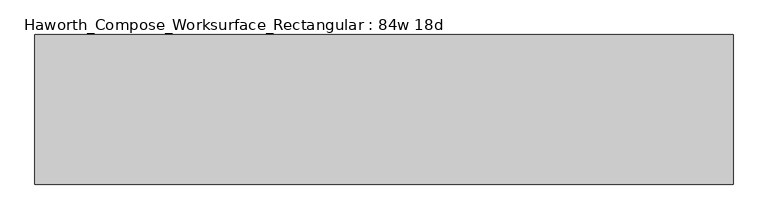
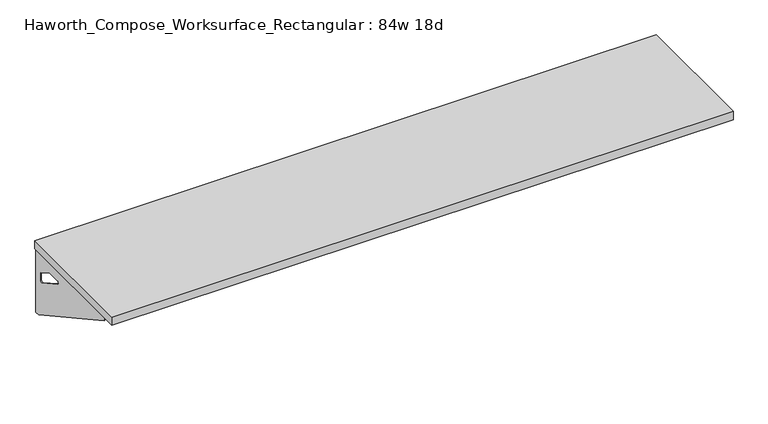
"""IFC4 building model written with IfcOpenShell, lengths in millimetres: furniture geometry, Haworth_Compose_Worksurface_Rectangular : 84w 18d."""

from ifc_helpers import new_model, si_unit, frame, origin, place, context, project, spatial, polyline, circle_curve, outline, extrude, source, transform, mapped, element, save
from ifc_brep_helpers import plane_surface, revolved_surface, advanced_brep


def haworth_compose_worksurface_rectangular_84w_18d_5ff52806(model_context):
    return source(origin(), model_context, "Body", "SolidModel", [
        advanced_brep(
        [(1061.24375, 228.6, 475.45625), (1061.24375, 212.725, 475.45625), (1061.24375, -177.8, 691.7192568), (1061.24375, -177.8, 704.05625), (1061.24375, 212.725, 704.05625), (1061.24375, 228.6, 704.05625), (1061.24375, 145.290072, 665.95625), (1061.24375, 101.6355284, 665.95625), (1061.24375, 98.9564235, 656.3705539), (1061.24375, 190.6776173, 605.5776439), (1061.24375, 200.025, 611.1756969), (1061.24375, 200.025, 634.6860246), (1061.24375, 198.2730055, 637.5242776), (1061.24375, 148.3663437, 665.1613425), (1063.625, 228.6, 475.45625), (1063.625, 228.6, 704.05625), (1063.625, 212.725, 704.05625), (1063.625, 212.725, 706.4375), (1063.625, -177.8, 706.4375), (1063.625, -177.8, 691.7192568), (1063.625, 212.725, 475.45625), (1063.625, 145.290072, 665.95625), (1063.625, 148.3663437, 665.1613425), (1063.625, 198.2730055, 637.5242776), (1063.625, 200.025, 634.6860246), (1063.625, 200.025, 611.1756969), (1063.625, 190.6776173, 605.5776439), (1063.625, 98.9564235, 656.3705539), (1063.625, 101.6355284, 665.95625), (1022.35, -177.8, 706.4375), (1022.35, -177.8, 704.05625), (1022.35, 212.725, 704.05625), (1022.35, 212.725, 706.4375)],
        [
            (0, 1),
            (1, 2),
            (2, 3),
            (3, 4),
            (4, 5),
            (5, 0),
            (6, 7),
            (7, 8, circle_curve(frame((1061.24375, 101.6355284, 660.7890106), z_axis=(1.0, 0.0, 0.0), x_axis=(0.0, -1.0, 0.0)), 5.1672394)),
            (8, 9),
            (9, 10, circle_curve(frame((1061.24375, 193.675, 611.1756969), z_axis=(1.0, 0.0, 0.0), x_axis=(0.0, -1.0, 0.0)), 6.35)),
            (10, 11),
            (11, 12, circle_curve(frame((1061.24375, 196.85, 634.6860246), z_axis=(1.0, 0.0, 0.0), x_axis=(0.0, -1.0, 0.0)), 3.175)),
            (12, 13),
            (13, 6, circle_curve(frame((1061.24375, 145.290072, 659.60625), z_axis=(1.0, 0.0, 0.0), x_axis=(0.0, -1.0, 0.0)), 6.35)),
            (14, 15),
            (15, 16),
            (16, 17),
            (17, 18),
            (18, 19),
            (19, 20),
            (20, 14),
            (21, 22, circle_curve(frame((1063.625, 145.290072, 659.60625), z_axis=(-1.0, 0.0, 0.0), x_axis=(0.0, -1.0, 0.0)), 6.35)),
            (22, 23),
            (23, 24, circle_curve(frame((1063.625, 196.85, 634.6860246), z_axis=(-1.0, 0.0, 0.0), x_axis=(0.0, -1.0, 0.0)), 3.175)),
            (24, 25),
            (25, 26, circle_curve(frame((1063.625, 193.675, 611.1756969), z_axis=(-1.0, 0.0, 0.0), x_axis=(0.0, -1.0, 0.0)), 6.35)),
            (26, 27),
            (27, 28, circle_curve(frame((1063.625, 101.6355284, 660.7890106), z_axis=(-1.0, 0.0, 0.0), x_axis=(0.0, -1.0, 0.0)), 5.1672394)),
            (28, 21),
            (4, 16),
            (15, 5),
            (14, 0),
            (20, 1),
            (19, 2),
            (18, 29),
            (29, 30),
            (30, 3),
            (6, 21),
            (28, 7),
            (9, 26),
            (25, 10),
            (24, 11),
            (23, 12),
            (27, 8),
            (31, 4),
            (30, 31),
            (32, 29),
            (17, 32),
            (31, 32),
            (22, 13),
        ],
        [
            plane_surface(frame((1061.24375, 228.6, 475.45625), z_axis=(-1.0, 0.0, 0.0), x_axis=(0.0, 1.0, 0.0))),
            plane_surface(frame((1063.625, 228.6, 475.45625), z_axis=(1.0, 0.0, 0.0), x_axis=(0.0, -1.0, 0.0))),
            plane_surface(frame((1063.625, -177.8, 704.05625), z_axis=(0.0, 0.0, 1.0), x_axis=(-1.0, 0.0, 0.0))),
            plane_surface(frame((1063.625, 228.6, 704.05625), z_axis=(0.0, 1.0, 0.0), x_axis=(-1.0, 0.0, 0.0))),
            plane_surface(frame((1063.625, 228.6, 475.45625), z_axis=(0.0, 0.0, -1.0), x_axis=(-1.0, 0.0, 0.0))),
            plane_surface(frame((1063.625, 212.725, 475.45625), z_axis=(0.0, -0.48445223513455843, -0.8748177135112952), x_axis=(-1.0, 0.0, 0.0))),
            plane_surface(frame((1063.625, -177.8, 691.7192568), z_axis=(0.0, -1.0, 0.0), x_axis=(-1.0, 0.0, 0.0))),
            plane_surface(frame((1063.625, 145.290072, 665.95625), z_axis=(0.0, 0.0, -1.0), x_axis=(-1.0, 0.0, 0.0))),
            revolved_surface(polyline([(1061.24375, 187.32500000000002, 611.1756969), (1063.625, 187.32500000000002, 611.1756969)]), (1063.625, 193.675, 611.1756969), (-1.0, 0.0, 0.0)),
            plane_surface(frame((1063.625, 200.025, 611.1756969), z_axis=(0.0, -1.0, 0.0), x_axis=(-1.0, 0.0, 0.0))),
            revolved_surface(polyline([(1061.24375, 193.67499999999998, 634.6860246), (1063.625, 193.67499999999998, 634.6860246)]), (1063.625, 196.85, 634.6860246), (-1.0, 0.0, 0.0)),
            revolved_surface(polyline([(1061.24375, 96.468289, 660.7890106), (1063.625, 96.468289, 660.7890106)]), (1063.625, 101.6355284, 660.7890106), (-1.0, 0.0, 0.0)),
            plane_surface(frame((1063.625, 212.725, 704.05625), z_axis=(0.0, 0.0, -1.0), x_axis=(-1.0, 0.0, 0.0))),
            plane_surface(frame((1063.625, 212.725, 706.4375), z_axis=(0.0, 0.0, 1.0), x_axis=(1.0, 0.0, 0.0))),
            plane_surface(frame((1022.35, 212.725, 706.4375), z_axis=(0.0, 1.0, 0.0), x_axis=(0.0, 0.0, -1.0))),
            plane_surface(frame((1022.35, -177.8, 706.4375), z_axis=(-1.0, 0.0, 0.0), x_axis=(0.0, 0.0, -1.0))),
            plane_surface(frame((1063.625, 98.9564235, 656.3705539), z_axis=(0.0, 0.4844522351345583, 0.8748177135112953), x_axis=(-1.0, 0.0, 0.0))),
            plane_surface(frame((1063.625, 198.2730055, 637.5242776), z_axis=(0.0, -0.4844522351345582, -0.8748177135112953), x_axis=(-1.0, 0.0, 0.0))),
            revolved_surface(polyline([(1061.24375, 138.94007200000001, 659.60625), (1063.625, 138.94007200000001, 659.60625)]), (1063.625, 145.290072, 659.60625), (-1.0, 0.0, 0.0)),
        ],
        [
            (0, [[1, 2, 3, 4, 5, 6], [7, 8, 9, 10, 11, 12, 13, 14]]),
            (1, [[15, 16, 17, 18, 19, 20, 21], [22, 23, 24, 25, 26, 27, 28, 29]]),
            (2, [[-5, 30, -16, 31]]),
            (3, [[-31, -15, 32, -6]]),
            (4, [[-32, -21, 33, -1]]),
            (5, [[-33, -20, 34, -2]]),
            (6, [[-34, -19, 35, 36, 37, -3]]),
            (7, [[38, -29, 39, -7]]),
            (8, [[40, -26, 41, -10]]),
            (9, [[-41, -25, 42, -11]]),
            (10, [[-42, -24, 43, -12]]),
            (11, [[-39, -28, 44, -8]]),
            (12, [[45, -4, -37, 46]]),
            (13, [[47, -35, -18, 48]]),
            (14, [[-17, -30, -45, 49, -48]]),
            (15, [[-36, -47, -49, -46]]),
            (16, [[-44, -27, -40, -9]]),
            (17, [[-43, -23, 50, -13]]),
            (18, [[-50, -22, -38, -14]]),
        ],
    ),
        advanced_brep(
        [(-1061.24375, 228.6, 475.45625), (-1061.24375, 228.6, 704.05625), (-1061.24375, 212.725, 704.05625), (-1061.24375, -177.8, 704.05625), (-1061.24375, -177.8, 691.7192568), (-1061.24375, 212.725, 475.45625), (-1061.24375, 145.290072, 665.95625), (-1061.24375, 148.3663437, 665.1613425), (-1061.24375, 198.2730055, 637.5242776), (-1061.24375, 200.025, 634.6860246), (-1061.24375, 200.025, 611.1756969), (-1061.24375, 190.6776173, 605.5776439), (-1061.24375, 98.9564235, 656.3705539), (-1061.24375, 101.6355284, 665.95625), (-1063.625, 228.6, 475.45625), (-1063.625, 212.725, 475.45625), (-1063.625, -177.8, 691.7192568), (-1063.625, -177.8, 706.4375), (-1063.625, 212.725, 706.4375), (-1063.625, 212.725, 704.05625), (-1063.625, 228.6, 704.05625), (-1063.625, 145.290072, 665.95625), (-1063.625, 101.6355284, 665.95625), (-1063.625, 98.9564235, 656.3705539), (-1063.625, 190.6776173, 605.5776439), (-1063.625, 200.025, 611.1756969), (-1063.625, 200.025, 634.6860246), (-1063.625, 198.2730055, 637.5242776), (-1063.625, 148.3663437, 665.1613425), (-1022.35, -177.8, 704.05625), (-1022.35, -177.8, 706.4375), (-1022.35, 212.725, 704.05625), (-1022.35, 212.725, 706.4375)],
        [
            (0, 1),
            (1, 2),
            (2, 3),
            (3, 4),
            (4, 5),
            (5, 0),
            (6, 7, circle_curve(frame((-1061.24375, 145.290072, 659.60625), z_axis=(-1.0, 0.0, 0.0), x_axis=(0.0, -1.0, 0.0)), 6.35)),
            (7, 8),
            (8, 9, circle_curve(frame((-1061.24375, 196.85, 634.6860246), z_axis=(-1.0, 0.0, 0.0), x_axis=(0.0, -1.0, 0.0)), 3.175)),
            (9, 10),
            (10, 11, circle_curve(frame((-1061.24375, 193.675, 611.1756969), z_axis=(-1.0, 0.0, 0.0), x_axis=(0.0, -1.0, 0.0)), 6.35)),
            (11, 12),
            (12, 13, circle_curve(frame((-1061.24375, 101.6355284, 660.7890106), z_axis=(-1.0, 0.0, 0.0), x_axis=(0.0, -1.0, 0.0)), 5.1672394)),
            (13, 6),
            (14, 15),
            (15, 16),
            (16, 17),
            (17, 18),
            (18, 19),
            (19, 20),
            (20, 14),
            (21, 22),
            (22, 23, circle_curve(frame((-1063.625, 101.6355284, 660.7890106), z_axis=(1.0, 0.0, 0.0), x_axis=(0.0, -1.0, 0.0)), 5.1672394)),
            (23, 24),
            (24, 25, circle_curve(frame((-1063.625, 193.675, 611.1756969), z_axis=(1.0, 0.0, 0.0), x_axis=(0.0, -1.0, 0.0)), 6.35)),
            (25, 26),
            (26, 27, circle_curve(frame((-1063.625, 196.85, 634.6860246), z_axis=(1.0, 0.0, 0.0), x_axis=(0.0, -1.0, 0.0)), 3.175)),
            (27, 28),
            (28, 21, circle_curve(frame((-1063.625, 145.290072, 659.60625), z_axis=(1.0, 0.0, 0.0), x_axis=(0.0, -1.0, 0.0)), 6.35)),
            (1, 20),
            (19, 2),
            (0, 14),
            (5, 15),
            (4, 16),
            (3, 29),
            (29, 30),
            (30, 17),
            (13, 22),
            (21, 6),
            (10, 25),
            (24, 11),
            (9, 26),
            (8, 27),
            (12, 23),
            (31, 29),
            (2, 31),
            (32, 18),
            (30, 32),
            (32, 31),
            (7, 28),
        ],
        [
            plane_surface(frame((-1061.24375, 228.6, 475.45625), z_axis=(1.0, 0.0, 0.0), x_axis=(0.0, 1.0, 0.0))),
            plane_surface(frame((-1063.625, 228.6, 475.45625), z_axis=(-1.0, 0.0, 0.0), x_axis=(0.0, -1.0, 0.0))),
            plane_surface(frame((-1063.625, -177.8, 704.05625), z_axis=(0.0, 0.0, 1.0), x_axis=(1.0, 0.0, 0.0))),
            plane_surface(frame((-1063.625, 228.6, 704.05625), z_axis=(0.0, 1.0, 0.0), x_axis=(1.0, 0.0, 0.0))),
            plane_surface(frame((-1063.625, 228.6, 475.45625), z_axis=(0.0, 0.0, -1.0), x_axis=(1.0, 0.0, 0.0))),
            plane_surface(frame((-1063.625, 212.725, 475.45625), z_axis=(0.0, -0.48445223513455843, -0.8748177135112952), x_axis=(1.0, 0.0, 0.0))),
            plane_surface(frame((-1063.625, -177.8, 691.7192568), z_axis=(0.0, -1.0, 0.0), x_axis=(1.0, 0.0, 0.0))),
            plane_surface(frame((-1063.625, 145.290072, 665.95625), z_axis=(0.0, 0.0, -1.0), x_axis=(1.0, 0.0, 0.0))),
            revolved_surface(polyline([(-1061.24375, 187.32500000000002, 611.1756969), (-1063.625, 187.32500000000002, 611.1756969)]), (-1063.625, 193.675, 611.1756969), (1.0, 0.0, 0.0)),
            plane_surface(frame((-1063.625, 200.025, 611.1756969), z_axis=(0.0, -1.0, 0.0), x_axis=(1.0, 0.0, 0.0))),
            revolved_surface(polyline([(-1061.24375, 193.67499999999998, 634.6860246), (-1063.625, 193.67499999999998, 634.6860246)]), (-1063.625, 196.85, 634.6860246), (1.0, 0.0, 0.0)),
            revolved_surface(polyline([(-1061.24375, 96.468289, 660.7890106), (-1063.625, 96.468289, 660.7890106)]), (-1063.625, 101.6355284, 660.7890106), (1.0, 0.0, 0.0)),
            plane_surface(frame((-1063.625, 212.725, 704.05625), z_axis=(0.0, 0.0, -1.0), x_axis=(1.0, 0.0, 0.0))),
            plane_surface(frame((-1063.625, 212.725, 706.4375), z_axis=(0.0, 0.0, 1.0), x_axis=(-1.0, 0.0, 0.0))),
            plane_surface(frame((-1022.35, 212.725, 706.4375), z_axis=(0.0, 1.0, 0.0), x_axis=(0.0, 0.0, -1.0))),
            plane_surface(frame((-1022.35, -177.8, 706.4375), z_axis=(1.0, 0.0, 0.0), x_axis=(0.0, 0.0, -1.0))),
            plane_surface(frame((-1063.625, 98.9564235, 656.3705539), z_axis=(0.0, 0.4844522351345583, 0.8748177135112953), x_axis=(1.0, 0.0, 0.0))),
            plane_surface(frame((-1063.625, 198.2730055, 637.5242776), z_axis=(0.0, -0.4844522351345582, -0.8748177135112953), x_axis=(1.0, 0.0, 0.0))),
            revolved_surface(polyline([(-1061.24375, 138.94007200000001, 659.60625), (-1063.625, 138.94007200000001, 659.60625)]), (-1063.625, 145.290072, 659.60625), (1.0, 0.0, 0.0)),
        ],
        [
            (0, [[1, 2, 3, 4, 5, 6], [7, 8, 9, 10, 11, 12, 13, 14]]),
            (1, [[15, 16, 17, 18, 19, 20, 21], [22, 23, 24, 25, 26, 27, 28, 29]]),
            (2, [[30, -20, 31, -2]]),
            (3, [[-1, 32, -21, -30]]),
            (4, [[-6, 33, -15, -32]]),
            (5, [[-5, 34, -16, -33]]),
            (6, [[-4, 35, 36, 37, -17, -34]]),
            (7, [[-14, 38, -22, 39]]),
            (8, [[-11, 40, -25, 41]]),
            (9, [[-10, 42, -26, -40]]),
            (10, [[-9, 43, -27, -42]]),
            (11, [[-13, 44, -23, -38]]),
            (12, [[45, -35, -3, 46]]),
            (13, [[47, -18, -37, 48]]),
            (14, [[-47, 49, -46, -31, -19]]),
            (15, [[-45, -49, -48, -36]]),
            (16, [[-12, -41, -24, -44]]),
            (17, [[-8, 50, -28, -43]]),
            (18, [[-7, -39, -29, -50]]),
        ],
    ),
        extrude(outline(polyline([(1066.8, 228.6), (1066.8, -228.6), (-1066.8, -228.6), (-1066.8, 228.6), (1066.8, 228.6)])), frame((0.0, 0.0, 706.4375), z_axis=(0.0, 0.0, 1.0), x_axis=(1.0, 0.0, 0.0)), (0.0, 0.0, 1.0), 30.1625),
    ])


if __name__ == "__main__":
    model = new_model("IFC4")
    model_context = context("Model", 3, world=origin())
    ifc_project = project(units=[si_unit("LENGTHUNIT", "METRE", prefix="MILLI")], contexts=[model_context])
    site = spatial("IfcSite", under=ifc_project)
    building = spatial("IfcBuilding", under=site)
    placement = place(None, origin())
    haworth_compose_worksurface_rectangular_84w_18d_shape = haworth_compose_worksurface_rectangular_84w_18d_5ff52806(model_context)
    element("IfcFurniture", 1, ObjectType="Haworth_Compose_Worksurface_Rectangular : 84w 18d", at=placement, inside=building, context=model_context, shape_type="MappedRepresentation", body=[
        mapped(haworth_compose_worksurface_rectangular_84w_18d_shape, transform((0.0, 0.0, 0.0), x_axis=(1.0, 0.0, 0.0), y_axis=(0.0, 1.0, 0.0), z_axis=(0.0, 0.0, 1.0))),
    ])
    save(model, "model.ifc")
